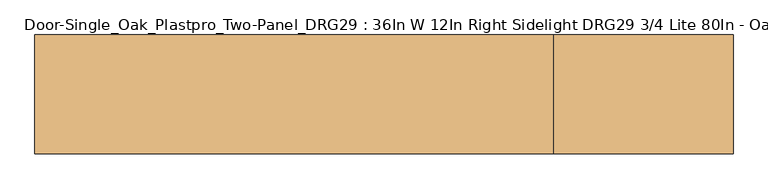
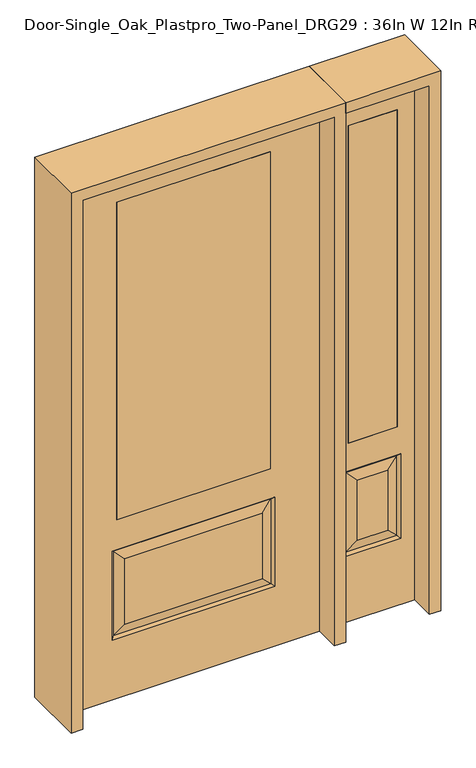
"""IFC4 building model written with IfcOpenShell, lengths in millimetres: door geometry, Door-Single_Oak_Plastpro_Two-Panel_DRG29 : 36In W 12In Right Sidelight DRG29 3/4 Lite 80In - Oak."""

import ifcopenshell
import ifcopenshell.guid

model = None  # the IFC model being written
_history = None  # IfcOwnerHistory: only IFC2X3 demands one
_inside = {}  # id of a spatial element -> (the spatial element, [elements in it])
_under = {}  # id of a project, library or spatial element -> (it, [spatial elements below it])
_declared = {}  # id of a project -> (the project, [libraries it declares])
_typed = {}  # id of a type object -> (the type object, [elements of that type])
_made_of = {}  # id of a material, layer set ... -> (it, [elements and type objects made of it])


def new_model(schema):
    """Start an empty IFC model of exactly this schema.

    Asked for "IFC4X3", IfcOpenShell would pick the latest addendum, in which some entities
    have other attributes; the version numbers below select the first issue.
    IFC2X3 requires an IfcOwnerHistory on every rooted entity: one is made here for all.
    """
    global model, _history
    if schema == "IFC4X3":
        model = ifcopenshell.file(schema_version=(4, 3, 0, 0))
    else:
        model = ifcopenshell.file(schema=schema)
    _inside.clear()
    _under.clear()
    _declared.clear()
    _typed.clear()
    _made_of.clear()
    _history = None
    if model.schema == "IFC2X3":
        org = make("IfcOrganization", Name="unknown")
        user = make(
            "IfcPersonAndOrganization",
            ThePerson=make("IfcPerson", FamilyName="unknown"),
            TheOrganization=org,
        )
        app = make(
            "IfcApplication",
            ApplicationDeveloper=org,
            Version="unknown",
            ApplicationFullName="unknown",
            ApplicationIdentifier="unknown",
        )
        _history = make(
            "IfcOwnerHistory",
            OwningUser=user,
            OwningApplication=app,
            ChangeAction="ADDED",
            CreationDate=0,
        )
    return model


def make(cls, **values):
    """One entity of the class cls with the attributes given. An attribute that is None is left unset."""
    return model.create_entity(
        cls, **{name: value for name, value in values.items() if value is not None}
    )


def rooted(cls, **values):
    """An entity with a GlobalId (a new one), such as an element, a storey or a relation."""
    return make(cls, GlobalId=ifcopenshell.guid.new(), OwnerHistory=_history, **values)


def si_unit(unit_type, name, prefix=None):
    """IfcSIUnit, for example si_unit("LENGTHUNIT", "METRE", prefix="MILLI")."""
    return make("IfcSIUnit", UnitType=unit_type, Prefix=prefix, Name=name)


def assignment(units):
    """IfcUnitAssignment: the units of a project."""
    return None if units is None else make("IfcUnitAssignment", Units=units)


def point(xyz):
    """IfcCartesianPoint."""
    return None if xyz is None else make("IfcCartesianPoint", Coordinates=xyz)


def direction(xyz):
    """IfcDirection."""
    return None if xyz is None else make("IfcDirection", DirectionRatios=xyz)


def frame(location, z_axis=None, x_axis=None):
    """IfcAxis2Placement3D, a coordinate frame: its origin and axes. An axis left out is left unset."""
    return make(
        "IfcAxis2Placement3D",
        Location=point(location),
        Axis=direction(z_axis),
        RefDirection=direction(x_axis),
    )


def origin():
    """The frame at (0, 0, 0) with its axes left unset."""
    return frame((0.0, 0.0, 0.0))


def place(relative_to, where):
    """IfcLocalPlacement: puts the frame where relative to a parent placement (None: the world)."""
    return make(
        "IfcLocalPlacement", PlacementRelTo=relative_to, RelativePlacement=where
    )


def context(
    kind, dimensions, precision=None, world=None, true_north=None, identifier=None
):
    """IfcGeometricRepresentationContext, for example the 3D "Model" context."""
    return make(
        "IfcGeometricRepresentationContext",
        ContextIdentifier=identifier,
        ContextType=kind,
        CoordinateSpaceDimension=dimensions,
        Precision=precision,
        WorldCoordinateSystem=world,
        TrueNorth=true_north,
    )


def project(units=None, contexts=None):
    """IfcProject with its units and contexts."""
    return rooted(
        "IfcProject",
        Name="project",
        RepresentationContexts=contexts,
        UnitsInContext=assignment(units),
    )


def spatial(cls, under=None, at=None, **own):
    """A site, building, storey or space (cls), placed at a placement, below another one or the project."""
    s = rooted(cls, ObjectPlacement=at, **own)
    if under is not None:
        _under.setdefault(under.id(), (under, []))[1].append(s)
    return s


def polyline(points):
    """IfcPolyline through the points."""
    return make("IfcPolyline", Points=[point(p) for p in points])


def outline(outer, holes=None, kind="AREA"):
    """IfcArbitraryClosedProfileDef: a profile drawn as a closed curve; with holes, ...WithVoids."""
    if holes is None:
        return make("IfcArbitraryClosedProfileDef", ProfileType=kind, OuterCurve=outer)
    return make(
        "IfcArbitraryProfileDefWithVoids",
        ProfileType=kind,
        OuterCurve=outer,
        InnerCurves=holes,
    )


def extrude(swept, where, along, depth):
    """IfcExtrudedAreaSolid: the profile swept, set in the frame where, extruded along a direction by depth."""
    return make(
        "IfcExtrudedAreaSolid",
        SweptArea=swept,
        Position=where,
        ExtrudedDirection=direction(along),
        Depth=depth,
    )


def faces_of(points, faces, orient=None, outer=None):
    """IfcFace entities. A face is a list of loops; a loop is a list of indices into points, from 0.

    orient and outer hold one flag for each loop. By default every Orientation is true, the
    first loop of a face is its IfcFaceOuterBound and the others are IfcFaceBound.
    """
    made = []
    for i, loops in enumerate(faces):
        bounds = []
        for j, loop in enumerate(loops):
            is_outer = j == 0 if outer is None else outer[i][j]
            bounds.append(
                make(
                    "IfcFaceOuterBound" if is_outer else "IfcFaceBound",
                    Bound=make("IfcPolyLoop", Polygon=[points[k] for k in loop]),
                    Orientation=True if orient is None else orient[i][j],
                )
            )
        made.append(make("IfcFace", Bounds=bounds))
    return made


def faceted_brep(points, faces, orient=None, outer=None, voids=None):
    """IfcFacetedBrep: a solid bounded by flat faces; with voids (closed shells), ...WithVoids."""
    shared = [point(p) for p in points]
    hull = make("IfcClosedShell", CfsFaces=faces_of(shared, faces, orient, outer))
    if voids is None:
        return make("IfcFacetedBrep", Outer=hull)
    return make(
        "IfcFacetedBrepWithVoids",
        Outer=hull,
        Voids=[
            make(cls, CfsFaces=faces_of(shared, fs, o, b)) for cls, fs, o, b in voids
        ],
    )


def shape(context_of_items, identifier, shape_type, items):
    """IfcShapeRepresentation: the items that make up one representation, for example the "Body"."""
    return make(
        "IfcShapeRepresentation",
        ContextOfItems=context_of_items,
        RepresentationIdentifier=identifier,
        RepresentationType=shape_type,
        Items=items,
    )


def source(mapping_origin, context_of_items, identifier, shape_type, items):
    """IfcRepresentationMap: a shape defined once, which mapped items show again and again."""
    return make(
        "IfcRepresentationMap",
        MappingOrigin=mapping_origin,
        MappedRepresentation=shape(context_of_items, identifier, shape_type, items),
    )


def transform(
    local_origin,
    x_axis=None,
    y_axis=None,
    z_axis=None,
    scale=None,
    scale2=None,
    scale3=None,
    uniform=True,
):
    """IfcCartesianTransformationOperator3D, or its non-uniform kind. x_axis, y_axis, z_axis: its Axis1, 2, 3."""
    if uniform:
        return make(
            "IfcCartesianTransformationOperator3D",
            Axis1=direction(x_axis),
            Axis2=direction(y_axis),
            LocalOrigin=point(local_origin),
            Scale=scale,
            Axis3=direction(z_axis),
        )
    return make(
        "IfcCartesianTransformationOperator3DnonUniform",
        Axis1=direction(x_axis),
        Axis2=direction(y_axis),
        LocalOrigin=point(local_origin),
        Scale=scale,
        Axis3=direction(z_axis),
        Scale2=scale2,
        Scale3=scale3,
    )


def mapped(mapping_source, mapping_target):
    """IfcMappedItem: shows the shape of a source again, moved by a transform."""
    return make(
        "IfcMappedItem", MappingSource=mapping_source, MappingTarget=mapping_target
    )


def made_of(thing, what):
    """Note that an element or type object is made of a material, layer set ...; save() writes the relation."""
    if what is not None:
        _made_of.setdefault(what.id(), (what, []))[1].append(thing)
    return thing


def element(
    cls,
    number,
    at=None,
    inside=None,
    cuts=None,
    type_object=None,
    material=None,
    context=None,
    identifier="Body",
    shape_type=None,
    held_by="IfcProductDefinitionShape",
    body=None,
    shapes=None,
    **own,
):
    """One element of the class cls, such as IfcWall. Its Tag is "e" and its number.

    at: its placement. inside: the storey or other place that contains it. cuts: it is an
    opening in that element (IfcRelVoidsElement). A single representation is given by context,
    identifier, shape_type and body (its items); several are given by shapes. held_by: the class
    of the entity that holds the representations. save() writes the other relations.
    """
    e = rooted(cls, Tag="e%d" % number, ObjectPlacement=at, **own)
    if body is not None:
        shapes = [shape(context, identifier, shape_type, body)]
    if shapes is not None:
        e.Representation = make(held_by, Representations=shapes)
    if inside is not None:
        _inside.setdefault(inside.id(), (inside, []))[1].append(e)
    if cuts is not None:
        rooted(
            "IfcRelVoidsElement", RelatingBuildingElement=cuts, RelatedOpeningElement=e
        )
    if type_object is not None:
        _typed.setdefault(type_object.id(), (type_object, []))[1].append(e)
    return made_of(e, material)


def aggregate(whole, parts):
    """IfcRelAggregates: a whole, such as a stair, and the parts it consists of."""
    return rooted("IfcRelAggregates", RelatingObject=whole, RelatedObjects=parts)


def save(model, path):
    """Write the relations noted so far, then the file.

    IfcRelAggregates (storeys below a building ...), IfcRelContainedInSpatialStructure (elements
    in a storey), IfcRelDefinesByType, IfcRelAssociatesMaterial and IfcRelDeclares: one each for
    every whole, place, type object, material and project.
    """
    for whole, parts in _under.values():
        aggregate(whole, parts)
    for where, things in _inside.values():
        rooted(
            "IfcRelContainedInSpatialStructure",
            RelatedElements=things,
            RelatingStructure=where,
        )
    for kind, things in _typed.values():
        rooted("IfcRelDefinesByType", RelatedObjects=things, RelatingType=kind)
    for what, things in _made_of.values():
        rooted("IfcRelAssociatesMaterial", RelatedObjects=things, RelatingMaterial=what)
    for by, libraries in _declared.values():
        rooted("IfcRelDeclares", RelatingContext=by, RelatedDefinitions=libraries)
    model.write(path)


def door_single_oak_plastpro_two_panel_drg29_36in_w_12in_right_d572d417(model_context):
    return source(origin(), model_context, "Body", "SolidModel", [
        extrude(outline(polyline([(-279.4, -20.6375), (-279.4, 20.6375), (279.4, 20.6375), (279.4, -20.6375), (-279.4, -20.6375)])), frame((0.0, 0.0, 685.8), z_axis=(0.0, 0.0, 1.0), x_axis=(1.0, 0.0, 0.0)), (0.0, 0.0, 1.0), 1219.2),
        faceted_brep([(-249.1224548, -20.6375, 274.7525452), (249.1224548, -20.6375, 274.7525452), (249.1224548, -20.6375, 525.3474548), (-249.1224548, -20.6375, 525.3474548), (457.2, -20.6375, 2032.0), (-457.2, -20.6375, 2032.0), (-457.2, -20.6375, 0.0), (457.2, -20.6375, 0.0), (295.1599548, -20.6375, 228.7150452), (-295.1599548, -20.6375, 228.7150452), (-295.1599548, -20.6375, 571.3849548), (295.1599548, -20.6375, 571.3849548), (-279.4, -20.6375, 1905.0), (279.4, -20.6375, 1905.0), (279.4, -20.6375, 685.8), (-279.4, -20.6375, 685.8), (-279.4, 20.6375, 1905.0), (-279.4, 20.6375, 685.8), (279.4, 20.6375, 685.8), (249.1224548, 20.6375, 274.7525452), (-249.1224548, 20.6375, 274.7525452), (-249.1224548, 20.6375, 525.3474548), (249.1224548, 20.6375, 525.3474548), (-457.2, 20.6375, 2032.0), (457.2, 20.6375, 2032.0), (457.2, 20.6375, 0.0), (-457.2, 20.6375, 0.0), (-295.1599548, 20.6375, 228.7150452), (295.1599548, 20.6375, 228.7150452), (295.1599548, 20.6375, 571.3849548), (-295.1599548, 20.6375, 571.3849548), (279.4, 20.6375, 1905.0), (286.1796986, -11.6572439, 237.6953014), (-286.1796986, -11.6572439, 237.6953014), (-286.1796986, -11.6572439, 562.4046986), (286.1796986, -11.6572439, 562.4046986), (286.1796986, 11.6572439, 237.6953014), (-286.1796986, 11.6572439, 237.6953014), (-286.1796986, 11.6572439, 562.4046986), (286.1796986, 11.6572439, 562.4046986)], [[[0, 1, 2, 3]], [[4, 5, 6, 7], [8, 9, 10, 11], [12, 13, 14, 15]], [[16, 12, 15, 17]], [[17, 15, 14, 18]], [[19, 20, 21, 22]], [[23, 24, 25, 26], [27, 28, 29, 30], [31, 16, 17, 18]], [[13, 31, 18, 14]], [[6, 26, 25, 7]], [[5, 23, 26, 6]], [[24, 4, 7, 25]], [[32, 33, 9, 8]], [[9, 33, 34, 10]], [[10, 34, 35, 11]], [[32, 8, 11, 35]], [[33, 32, 1, 0]], [[1, 32, 35, 2]], [[34, 3, 2, 35]], [[33, 0, 3, 34]], [[36, 37, 20, 19]], [[20, 37, 38, 21]], [[21, 38, 39, 22]], [[36, 19, 22, 39]], [[37, 36, 28, 27]], [[28, 36, 39, 29]], [[38, 30, 29, 39]], [[37, 27, 30, 38]], [[12, 16, 31, 13]], [[5, 4, 24, 23]]]),
        extrude(outline(polyline([(739.775, -20.6375), (561.975, -20.6375), (561.975, 20.6375), (739.775, 20.6375), (739.775, -20.6375)])), frame((0.0, 0.0, 685.8), z_axis=(0.0, 0.0, 1.0), x_axis=(1.0, 0.0, 0.0)), (0.0, 0.0, 1.0), 1219.2),
        faceted_brep([(739.775, -20.6375, 1905.0), (561.975, -20.6375, 1905.0), (561.975, 20.6375, 1905.0), (739.775, 20.6375, 1905.0), (706.3224548, -20.6375, 531.6974548), (595.4275452, -20.6375, 531.6974548), (595.4275452, -20.6375, 300.1525452), (706.3224548, -20.6375, 300.1525452), (498.475, -20.6375, 2032.0), (498.475, -20.6375, 0.0), (803.275, -20.6375, 0.0), (803.275, -20.6375, 2032.0), (739.775, -20.6375, 685.8), (561.975, -20.6375, 685.8), (752.3599548, -20.6375, 254.1150452), (549.3900452, -20.6375, 254.1150452), (549.3900452, -20.6375, 577.7349548), (752.3599548, -20.6375, 577.7349548), (743.3796986, 11.6572439, 568.7546986), (752.3599548, 20.6375, 577.7349548), (752.3599548, 20.6375, 254.1150452), (743.3796986, 11.6572439, 263.0953014), (558.3703014, 11.6572439, 568.7546986), (549.3900452, 20.6375, 577.7349548), (706.3224548, 20.6375, 300.1525452), (706.3224548, 20.6375, 531.6974548), (739.775, 20.6375, 685.8), (561.975, 20.6375, 685.8), (558.3703014, -11.6572439, 263.0953014), (743.3796986, -11.6572439, 263.0953014), (558.3703014, -11.6572439, 568.7546986), (743.3796986, -11.6572439, 568.7546986), (498.475, 20.6375, 2032.0), (803.275, 20.6375, 2032.0), (498.475, 20.6375, 0.0), (803.275, 20.6375, 0.0), (549.3900452, 20.6375, 254.1150452), (595.4275452, 20.6375, 300.1525452), (595.4275452, 20.6375, 531.6974548), (558.3703014, 11.6572439, 263.0953014)], [[[0, 1, 2, 3]], [[4, 5, 6, 7]], [[8, 9, 10, 11], [0, 12, 13, 1], [14, 15, 16, 17]], [[18, 19, 20, 21]], [[18, 22, 23, 19]], [[21, 24, 25, 18]], [[26, 27, 13, 12]], [[7, 6, 28, 29]], [[6, 5, 30, 28]], [[29, 14, 17, 31]], [[32, 8, 11, 33]], [[34, 35, 10, 9]], [[32, 34, 9, 8]], [[11, 10, 35, 33]], [[33, 35, 34, 32], [19, 23, 36, 20], [2, 27, 26, 3]], [[24, 37, 38, 25]], [[20, 36, 39, 21]], [[36, 23, 22, 39]], [[25, 38, 22, 18]], [[39, 22, 38, 37]], [[21, 39, 37, 24]], [[3, 26, 12, 0]], [[1, 13, 27, 2]], [[31, 4, 7, 29]], [[31, 30, 5, 4]], [[17, 16, 30, 31]], [[28, 30, 16, 15]], [[29, 28, 15, 14]]]),
        extrude(outline(polyline([(2073.275, -498.475), (0.0, -498.475), (0.0, -457.2), (2032.0, -457.2), (2032.0, 457.2), (0.0, 457.2), (0.0, 498.475), (2073.275, 498.475), (2073.275, -498.475)])), frame((0.0, -114.3, 0.0), z_axis=(0.0, 1.0, 0.0), x_axis=(0.0, 0.0, 1.0)), (0.0, 0.0, 1.0), 228.6),
        extrude(outline(polyline([(0.0, 803.275), (0.0, 844.55), (2073.275, 844.55), (2073.275, 498.475), (2032.0, 498.475), (2032.0, 803.275), (0.0, 803.275)])), frame((0.0, -114.3, 0.0), z_axis=(0.0, 1.0, 0.0), x_axis=(0.0, 0.0, 1.0)), (0.0, 0.0, 1.0), 228.6),
    ])


if __name__ == "__main__":
    model = new_model("IFC4")
    model_context = context("Model", 3, world=origin())
    ifc_project = project(units=[si_unit("LENGTHUNIT", "METRE", prefix="MILLI")], contexts=[model_context])
    site = spatial("IfcSite", under=ifc_project)
    building = spatial("IfcBuilding", under=site)
    placement = place(None, origin())
    door_single_oak_plastpro_two_panel_drg29_36in_w_12in_right_shape = door_single_oak_plastpro_two_panel_drg29_36in_w_12in_right_d572d417(model_context)
    element("IfcDoor", 1, ObjectType="Door-Single_Oak_Plastpro_Two-Panel_DRG29 : 36In W 12In Right Sidelight DRG29 3/4 Lite 80In - Oak", at=placement, inside=building, context=model_context, shape_type="MappedRepresentation", body=[
        mapped(door_single_oak_plastpro_two_panel_drg29_36in_w_12in_right_shape, transform((0.0, 0.0, 0.0), x_axis=(1.0, 0.0, 0.0), y_axis=(0.0, 1.0, 0.0), z_axis=(0.0, 0.0, 1.0))),
    ])
    save(model, "model.ifc")
